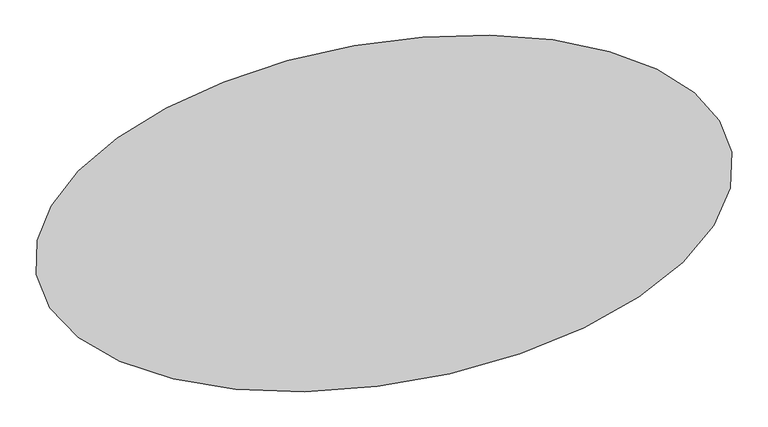
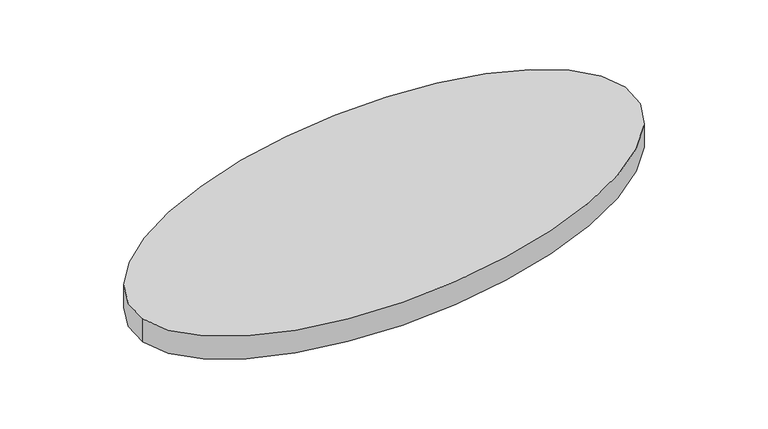
"""IFC4 building model written with IfcOpenShell, lengths in millimetres: proxy geometry."""

from ifc_helpers import new_model, si_unit, point, frame, origin, place, context, project, spatial, ellipse_curve, trimmed, source, transform, mapped, element, save
from ifc_brep_helpers import plane_surface, extruded_surface, advanced_brep


def generic_models_ac164f7c(model_context):
    return source(origin(), model_context, "Body", "AdvancedBrep", [
        advanced_brep(
        [(356798.4629673, 284942.998555, 4000.0), (268165.7651962, 269314.662565, 4000.0), (356798.4629673, 284942.998555, 0.0), (268165.7651962, 269314.662565, 0.0)],
        [
            (0, 1, ellipse_curve(frame((312482.1140817, 277128.83056, 4000.0), z_axis=(0.0, 0.0, 1.0), x_axis=(-0.9848077530122081, -0.17364817766693005, 0.0)), 45000.0, 21708.2255166)),
            (1, 0, ellipse_curve(frame((312482.1140817, 277128.83056, 4000.0), z_axis=(0.0, 0.0, 1.0), x_axis=(-0.9848077530122081, -0.17364817766693005, 0.0)), 45000.0, 21708.2255166)),
            (2, 3, ellipse_curve(frame((312482.1140817, 277128.83056, 0.0), z_axis=(0.0, 0.0, -1.0), x_axis=(-0.9848077530122081, -0.17364817766693005, 0.0)), 45000.0, 21708.2255166)),
            (3, 2, ellipse_curve(frame((312482.1140817, 277128.83056, 0.0), z_axis=(0.0, 0.0, -1.0), x_axis=(-0.9848077530122081, -0.17364817766693005, 0.0)), 45000.0, 21708.2255166)),
            (0, 2),
            (3, 1),
        ],
        [
            plane_surface(frame((268165.7651962, 269314.662565, 4000.0), z_axis=(0.0, 0.0, 1.0), x_axis=(0.17364817766693005, -0.9848077530122081, 0.0))),
            plane_surface(frame((268165.7651962, 269314.662565, 0.0), z_axis=(0.0, 0.0, -1.0), x_axis=(-0.17364817766693005, 0.9848077530122081, 0.0))),
            extruded_surface(trimmed(ellipse_curve(frame((312482.1140817, 277128.83056, -4000.0), z_axis=(0.0, 0.0, 1.0), x_axis=(-0.9848077530122081, -0.17364817766693005, 0.0)), 45000.0, 21708.2255166), [point((356798.4629673, 284942.998555, -4000.0))], [point((268165.7651962, 269314.662565, -4000.0))], True, "CARTESIAN"), (0.0, 0.0, 4000.0), 4000.0),
            extruded_surface(trimmed(ellipse_curve(frame((312482.1140817, 277128.83056, -4000.0), z_axis=(0.0, 0.0, 1.0), x_axis=(-0.9848077530122081, -0.17364817766693005, 0.0)), 45000.0, 21708.2255166), [point((268165.7651962, 269314.662565, -4000.0))], [point((356798.4629673, 284942.998555, -4000.0))], True, "CARTESIAN"), (0.0, 0.0, 4000.0), 4000.0),
        ],
        [
            (0, [[1, 2]]),
            (1, [[3, 4]]),
            (2, [[-1, 5, -4, 6]]),
            (3, [[-2, -6, -3, -5]]),
        ],
    ),
    ])


if __name__ == "__main__":
    model = new_model("IFC4")
    model_context = context("Model", 3, world=origin())
    ifc_project = project(units=[si_unit("LENGTHUNIT", "METRE", prefix="MILLI")], contexts=[model_context])
    site = spatial("IfcSite", under=ifc_project)
    building = spatial("IfcBuilding", under=site)
    placement = place(None, origin())
    generic_models_shape = generic_models_ac164f7c(model_context)
    element("IfcBuildingElementProxy", 1, Name="Generic Models", at=placement, inside=building, context=model_context, shape_type="MappedRepresentation", body=[
        mapped(generic_models_shape, transform((0.0, 0.0, 0.0), x_axis=(1.0, 0.0, 0.0), y_axis=(0.0, 1.0, 0.0), z_axis=(0.0, 0.0, 1.0))),
    ])
    save(model, "model.ifc")
